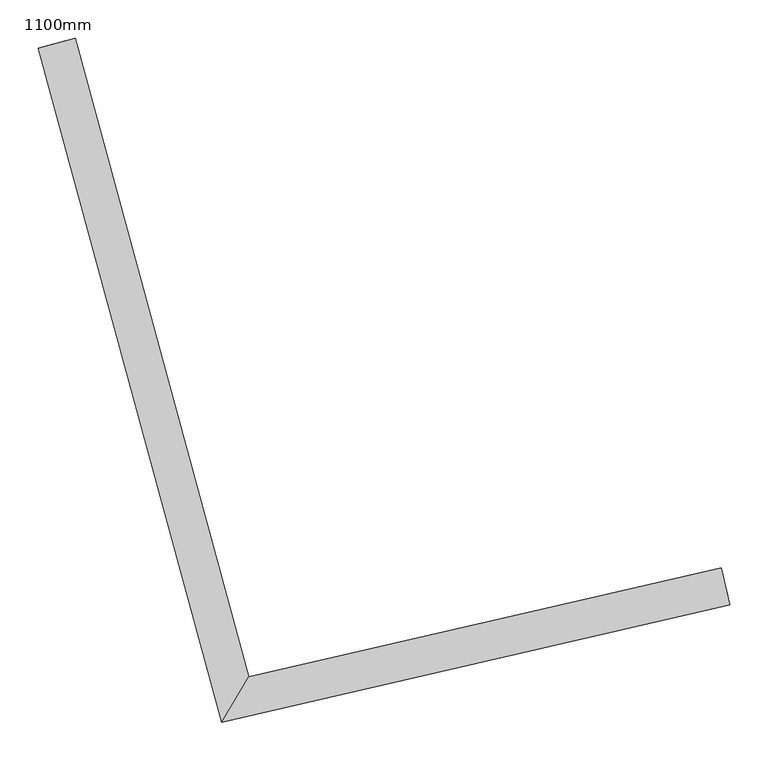
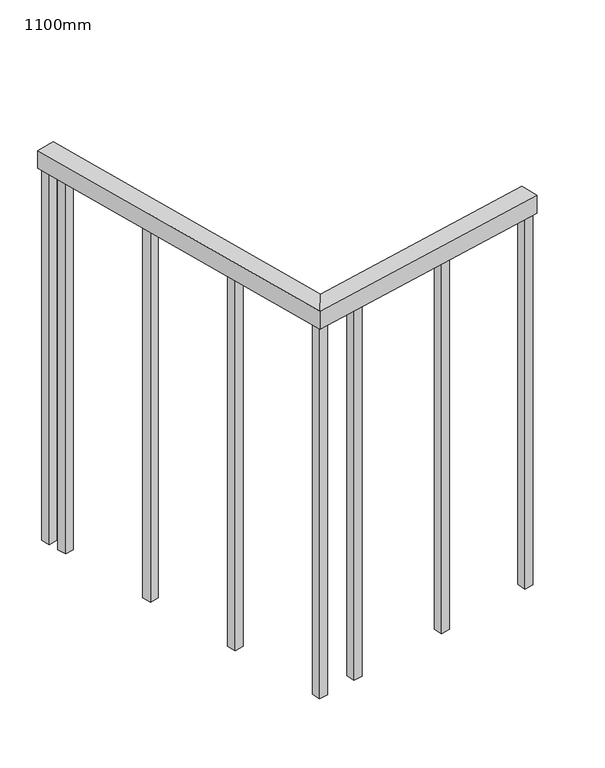
"""IFC4 building model written with IfcOpenShell, lengths in millimetres: railing geometry, 1100mm."""

from ifc_helpers import new_model, si_unit, frame, origin, place, context, project, spatial, polyline, outline, extrude, faceted_brep, source, transform, mapped, element, save


def railing_1100mm_eb5bb4e8(model_context):
    return source(origin(), model_context, "Body", "SolidModel", [
        faceted_brep([(266025.0464634, -56375.3676199, 1700.0), (266036.2940161, -56424.0861232, 1700.0), (266036.2940161, -56424.0861232, 1650.0), (266025.0464634, -56375.3676199, 1650.0), (265406.8997183, -56518.0780408, 1700.0), (265371.2692529, -56577.6191873, 1700.0), (265371.2692529, -56577.6191873, 1650.0), (265406.8997183, -56518.0780408, 1650.0), (265179.6030294, -55681.8285812, 1700.0), (265179.6030294, -55681.8285812, 1650.0), (265131.3535588, -55694.943023, 1650.0), (265131.3535588, -55694.943023, 1700.0)], [[[0, 1, 2, 3]], [[1, 0, 4, 5]], [[2, 1, 5, 6]], [[3, 2, 6, 7]], [[0, 3, 7, 4]], [[8, 9, 10, 11]], [[5, 4, 8, 11]], [[6, 5, 11, 10]], [[7, 6, 10, 9]], [[4, 7, 9, 8]]]),
        extrude(outline(polyline([(265188.0371732, -55760.5161061), (265163.9124379, -55767.073327), (265157.3552169, -55742.9485917), (265181.4799522, -55736.3913707), (265188.0371732, -55760.5161061)])), frame((0.0, 0.0, 600.0), z_axis=(0.0, 0.0, 1.0), x_axis=(1.0, 0.0, 0.0)), (0.0, 0.0, 1.0), 1050.0),
        extrude(outline(polyline([(265260.1666033, -56025.8881945), (265236.041868, -56032.4454154), (265229.4846471, -56008.3206801), (265253.6093824, -56001.7634591), (265260.1666033, -56025.8881945)])), frame((0.0, 0.0, 600.0), z_axis=(0.0, 0.0, 1.0), x_axis=(1.0, 0.0, 0.0)), (0.0, 0.0, 1.0), 1050.0),
        extrude(outline(polyline([(265332.2960335, -56291.2602829), (265308.1712982, -56297.8175038), (265301.6140773, -56273.6927685), (265325.7388126, -56267.1355475), (265332.2960335, -56291.2602829)])), frame((0.0, 0.0, 600.0), z_axis=(0.0, 0.0, 1.0), x_axis=(1.0, 0.0, 0.0)), (0.0, 0.0, 1.0), 1050.0),
        extrude(outline(polyline([(265504.1344418, -56508.4584374), (265509.7582181, -56532.8176891), (265485.3989665, -56538.4414654), (265479.7751902, -56514.0822138), (265504.1344418, -56508.4584374)])), frame((0.0, 0.0, 600.0), z_axis=(0.0, 0.0, 1.0), x_axis=(1.0, 0.0, 0.0)), (0.0, 0.0, 1.0), 1050.0),
        extrude(outline(polyline([(265772.0862096, -56446.5968975), (265777.709986, -56470.9561491), (265753.3507343, -56476.5799255), (265747.726958, -56452.2206739), (265772.0862096, -56446.5968975)])), frame((0.0, 0.0, 600.0), z_axis=(0.0, 0.0, 1.0), x_axis=(1.0, 0.0, 0.0)), (0.0, 0.0, 1.0), 1050.0),
        extrude(outline(polyline([(265398.4522232, -56532.8571001), (265404.0759996, -56557.2163517), (265379.716748, -56562.840128), (265374.0929716, -56538.4808764), (265398.4522232, -56532.8571001)])), frame((0.0, 0.0, 600.0), z_axis=(0.0, 0.0, 1.0), x_axis=(1.0, 0.0, 0.0)), (0.0, 0.0, 1.0), 1050.0),
        extrude(outline(polyline([(265174.0978827, -55709.2319269), (265149.9731474, -55715.7891479), (265143.4159265, -55691.6644126), (265167.5406618, -55685.1071916), (265174.0978827, -55709.2319269)])), frame((0.0, 0.0, 600.0), z_axis=(0.0, 0.0, 1.0), x_axis=(1.0, 0.0, 0.0)), (0.0, 0.0, 1.0), 1050.0),
        extrude(outline(polyline([(266027.8583516, -56387.5472457), (266033.482128, -56411.9064973), (266009.1228763, -56417.5302737), (266003.4991, -56393.1710221), (266027.8583516, -56387.5472457)])), frame((0.0, 0.0, 600.0), z_axis=(0.0, 0.0, 1.0), x_axis=(1.0, 0.0, 0.0)), (0.0, 0.0, 1.0), 1050.0),
    ])


if __name__ == "__main__":
    model = new_model("IFC4")
    model_context = context("Model", 3, world=origin())
    ifc_project = project(units=[si_unit("LENGTHUNIT", "METRE", prefix="MILLI")], contexts=[model_context])
    site = spatial("IfcSite", under=ifc_project)
    building = spatial("IfcBuilding", under=site)
    placement = place(None, origin())
    railing_1100mm_shape = railing_1100mm_eb5bb4e8(model_context)
    element("IfcRailing", 1, ObjectType="1100mm", at=placement, inside=building, context=model_context, shape_type="MappedRepresentation", body=[
        mapped(railing_1100mm_shape, transform((0.0, 0.0, 0.0), x_axis=(1.0, 0.0, 0.0), y_axis=(0.0, 1.0, 0.0), z_axis=(0.0, 0.0, 1.0))),
    ])
    save(model, "model.ifc")
